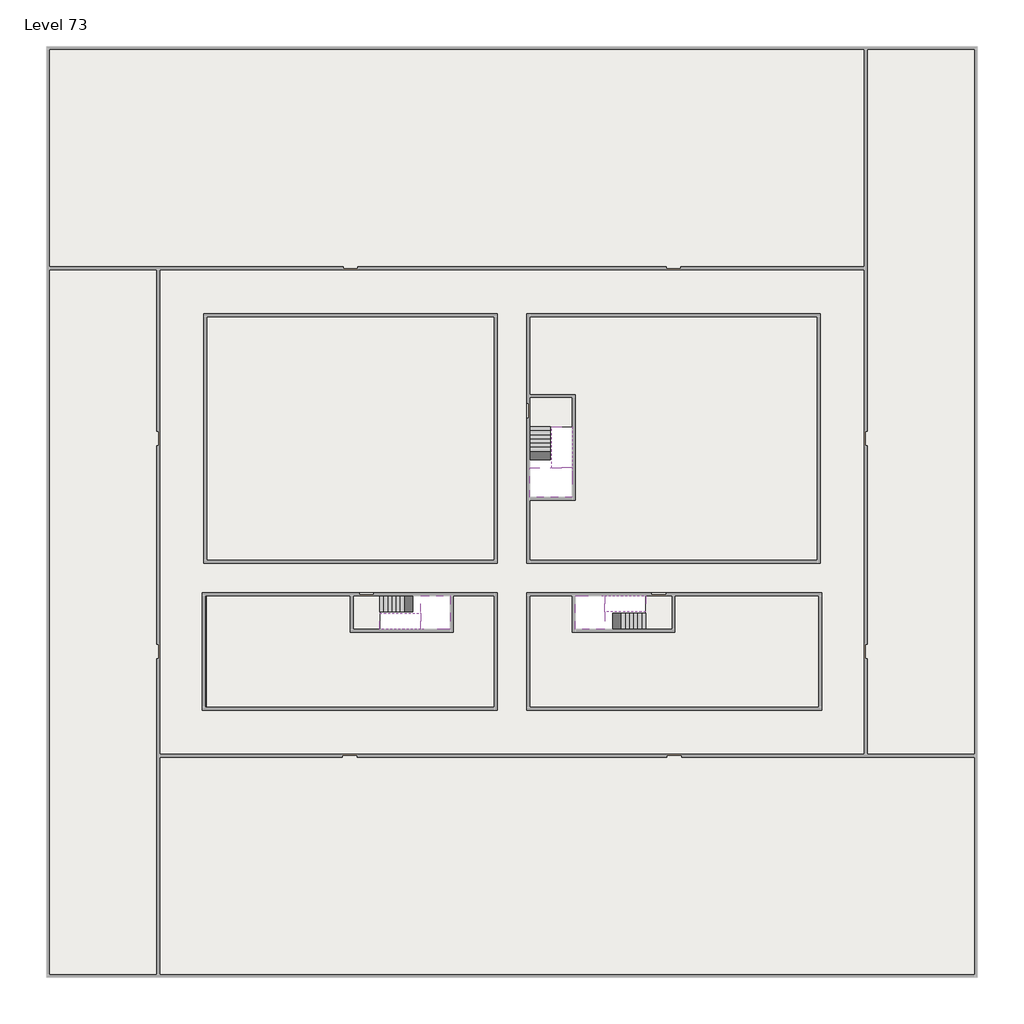
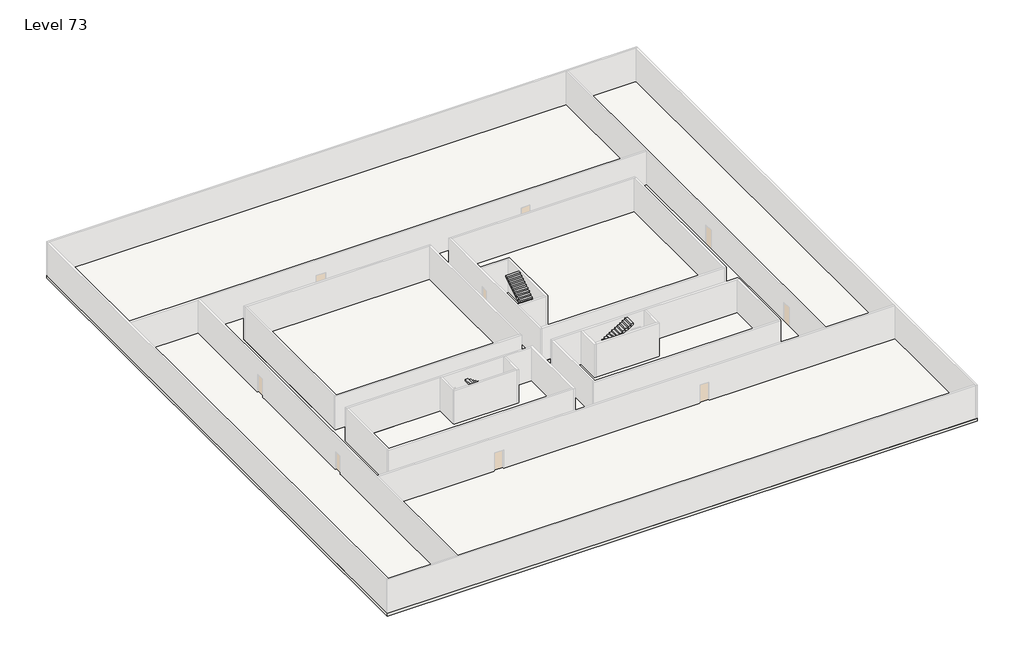
# One storey, part 2 of 2: 6 slabs, 6 stair flights.
"""IFC4 building model written with IfcOpenShell, lengths in millimetres."""

from ifc_helpers import new_model, si_unit, frame, origin, place, context, project, spatial, polyline, outline, extrude, faceted_brep, element, save

model = new_model("IFC4")

# Units and contexts
model_context = context("Model", 3, world=origin())
ifc_project = project(units=[si_unit("LENGTHUNIT", "METRE", prefix="MILLI")], contexts=[model_context])

# Site, building, storey
site = spatial("IfcSite", under=ifc_project)
building = spatial("IfcBuilding", under=site)
storey = spatial("IfcBuildingStorey", under=building, Name="Level 73", Elevation=273600.0)

# Slabs
placement = place(None, origin())
element("IfcSlab", 1, at=placement, inside=storey, context=model_context, shape_type="SweptSolid", body=[
    extrude(outline(polyline([(55890.1058784, -5518.09644), (55890.1058784, -68918.09644), (-7509.8941216, -68918.09644), (-7509.8941216, -5518.09644), (55890.1058784, -5518.09644)]), holes=[polyline([(23190.1058784, -23718.09644), (3190.1058784, -23718.09644), (3190.1058784, -40718.09644), (23190.1058784, -40718.09644), (23190.1058784, -23718.09644)]), polyline([(45190.1058784, -23718.09644), (25190.1058784, -23718.09644), (25190.1058784, -40718.09644), (45190.1058784, -40718.09644), (45190.1058784, -23718.09644)]), polyline([(23190.1058784, -50718.09644), (23190.1058784, -42718.09644), (3390.1058784, -42718.09644), (3390.1058784, -50718.09644), (23190.1058784, -50718.09644)]), polyline([(25190.1058784, -50718.09644), (45190.1058784, -50718.09644), (45190.1058784, -42718.09644), (25190.1058784, -42718.09644), (25190.1058784, -50718.09644)])]), frame((0.0, 0.0, 273300.0), z_axis=(0.0, 0.0, 1.0), x_axis=(1.0, 0.0, 0.0)), (0.0, 0.0, 1.0), 300.0),
])
element("IfcSlab", 2, at=placement, inside=storey, context=model_context, shape_type="Brep", body=[
    faceted_brep([(26790.1058784, -34218.09644, 275500.0), (25390.1058784, -34218.09644, 275500.0), (25390.1058784, -34297.4828763, 275500.0), (25390.1058784, -36218.09644, 275500.0), (28290.1058784, -36218.09644, 275500.0), (28290.1058784, -34418.7100038, 275500.0), (28290.1058784, -34218.09644, 275500.0), (26890.1058784, -34218.09644, 275500.0), (26790.1058784, -34218.09644, 275200.0), (26790.1058784, -34218.09644, 275151.0278478), (25390.1058784, -34218.09644, 275151.0278478), (25390.1058784, -34218.09644, 275327.2727273), (25390.1058784, -34297.4828763, 275200.0), (25390.1058784, -36218.09644, 275200.0), (28290.1058784, -36218.09644, 275200.0), (28290.1058784, -34418.7100038, 275200.0), (28290.1058784, -34218.09644, 275323.7551205), (26890.1058784, -34218.09644, 275323.7551205), (26890.1058784, -34218.09644, 275200.0), (26890.1058784, -34418.7100038, 275200.0), (26790.1058784, -34297.4828763, 275200.0)], [[[0, 1, 2, 3, 4, 5, 6, 7]], [[1, 0, 8, 9, 10, 11]], [[1, 11, 10, 12, 13, 3, 2]], [[4, 3, 13, 14]], [[4, 14, 15, 16, 6, 5]], [[7, 6, 16, 17]], [[0, 7, 17, 18, 8]], [[18, 19, 15, 14, 13, 12, 20, 8]], [[19, 18, 17]], [[20, 12, 10, 9]], [[8, 20, 9]], [[15, 19, 17, 16]]]),
])
element("IfcSlab", 3, at=placement, inside=storey, context=model_context, shape_type="SweptSolid", body=[
    extrude(outline(polyline([(22990.1058784, -23918.09644), (22990.1058784, -40518.09644), (3390.1058784, -40518.09644), (3390.1058784, -23918.09644), (22990.1058784, -23918.09644)])), frame((0.0, 0.0, 273300.0), z_axis=(0.0, 0.0, 1.0), x_axis=(1.0, 0.0, 0.0)), (0.0, 0.0, 1.0), 300.0),
    extrude(outline(polyline([(44990.1058784, -23918.09644), (44990.1058784, -40518.09644), (25390.1058784, -40518.09644), (25390.1058784, -36418.09644), (28490.1058784, -36418.09644), (28490.1058784, -29218.09644), (25390.1058784, -29218.09644), (25390.1058784, -23918.09644), (44990.1058784, -23918.09644)])), frame((0.0, 0.0, 273300.0), z_axis=(0.0, 0.0, 1.0), x_axis=(1.0, 0.0, 0.0)), (0.0, 0.0, 1.0), 300.0),
    extrude(outline(polyline([(22990.1058784, -42918.09644), (22990.1058784, -50518.09644), (3390.1058784, -50518.09644), (3390.1058784, -42918.09644), (13190.1058784, -42918.09644), (13190.1058784, -45418.09644), (20190.1058784, -45418.09644), (20190.1058784, -42918.09644), (22990.1058784, -42918.09644)])), frame((0.0, 0.0, 273300.0), z_axis=(0.0, 0.0, 1.0), x_axis=(1.0, 0.0, 0.0)), (0.0, 0.0, 1.0), 300.0),
    extrude(outline(polyline([(28290.1058784, -42918.09644), (28290.1058784, -45418.09644), (35290.1058784, -45418.09644), (35290.1058784, -42918.09644), (45090.1058784, -42918.09644), (45090.1058784, -50518.09644), (25390.1058784, -50518.09644), (25390.1058784, -42918.09644), (28290.1058784, -42918.09644)])), frame((0.0, 0.0, 273300.0), z_axis=(0.0, 0.0, 1.0), x_axis=(1.0, 0.0, 0.0)), (0.0, 0.0, 1.0), 300.0),
])
element("IfcSlab", 4, at=placement, inside=storey, context=model_context, shape_type="Brep", body=[
    faceted_brep([(30490.1058784, -45218.09644, 275500.0), (30490.1058784, -44118.09644, 275500.0), (30490.1058784, -44018.09644, 275500.0), (30490.1058784, -42918.09644, 275500.0), (30289.4923146, -42918.09644, 275500.0), (28490.1058784, -42918.09644, 275500.0), (28490.1058784, -45218.09644, 275500.0), (30410.7194421, -45218.09644, 275500.0), (30490.1058784, -45218.09644, 275327.2727273), (30490.1058784, -45218.09644, 275151.0278478), (30490.1058784, -44118.09644, 275151.0278478), (30490.1058784, -44118.09644, 275200.0), (30490.1058784, -44018.09644, 275200.0), (30490.1058784, -44018.09644, 275323.7551205), (30490.1058784, -42918.09644, 275323.7551205), (30289.4923146, -42918.09644, 275200.0), (28490.1058784, -42918.09644, 275200.0), (28490.1058784, -45218.09644, 275200.0), (30410.7194421, -45218.09644, 275200.0), (30289.4923146, -44018.09644, 275200.0), (30410.7194421, -44118.09644, 275200.0)], [[[0, 1, 2, 3, 4, 5, 6, 7]], [[1, 0, 8, 9, 10, 11]], [[2, 1, 11, 12, 13]], [[3, 2, 13, 14]], [[3, 14, 15, 16, 5, 4]], [[6, 5, 16, 17]], [[9, 8, 0, 7, 6, 17, 18]], [[19, 12, 11, 20, 18, 17, 16, 15]], [[12, 19, 13]], [[18, 20, 10, 9]], [[20, 11, 10]], [[19, 15, 14, 13]]]),
])
element("IfcSlab", 5, at=placement, inside=storey, context=model_context, shape_type="Brep", body=[
    faceted_brep([(17990.1058784, -42918.09644, 275500.0), (17990.1058784, -44018.09644, 275500.0), (17990.1058784, -44118.09644, 275500.0), (17990.1058784, -45218.09644, 275500.0), (18190.7194421, -45218.09644, 275500.0), (19990.1058784, -45218.09644, 275500.0), (19990.1058784, -42918.09644, 275500.0), (18069.4923146, -42918.09644, 275500.0), (17990.1058784, -42918.09644, 275327.2727273), (17990.1058784, -42918.09644, 275151.0278478), (17990.1058784, -44018.09644, 275151.0278478), (17990.1058784, -44018.09644, 275200.0), (17990.1058784, -44118.09644, 275200.0), (17990.1058784, -44118.09644, 275323.7551205), (17990.1058784, -45218.09644, 275323.7551205), (18190.7194421, -45218.09644, 275200.0), (19990.1058784, -45218.09644, 275200.0), (19990.1058784, -42918.09644, 275200.0), (18069.4923146, -42918.09644, 275200.0), (18190.7194421, -44118.09644, 275200.0), (18069.4923146, -44018.09644, 275200.0)], [[[0, 1, 2, 3, 4, 5, 6, 7]], [[1, 0, 8, 9, 10, 11]], [[2, 1, 11, 12, 13]], [[3, 2, 13, 14]], [[3, 14, 15, 16, 5, 4]], [[6, 5, 16, 17]], [[9, 8, 0, 7, 6, 17, 18]], [[19, 12, 11, 20, 18, 17, 16, 15]], [[12, 19, 13]], [[18, 20, 10, 9]], [[20, 11, 10]], [[19, 15, 14, 13]]]),
])
element("IfcSlab", 6, at=placement, inside=storey, context=model_context, shape_type="SweptSolid", body=[
    extrude(outline(polyline([(25190.1058784, -29418.09644), (28290.1058784, -29418.09644), (28290.1058784, -31418.09644), (25190.1058784, -31418.09644), (25190.1058784, -29418.09644)])), frame((0.0, 0.0, 273300.0), z_axis=(0.0, 0.0, 1.0), x_axis=(1.0, 0.0, 0.0)), (0.0, 0.0, 1.0), 300.0),
    extrude(outline(polyline([(15190.1058784, -45218.09644), (13390.1058784, -45218.09644), (13390.1058784, -42718.09644), (15190.1058784, -42718.09644), (15190.1058784, -45218.09644)])), frame((0.0, 0.0, 273300.0), z_axis=(0.0, 0.0, 1.0), x_axis=(1.0, 0.0, 0.0)), (0.0, 0.0, 1.0), 300.0),
    extrude(outline(polyline([(35090.1058784, -45218.09644), (33290.1058784, -45218.09644), (33290.1058784, -42718.09644), (35090.1058784, -42718.09644), (35090.1058784, -45218.09644)])), frame((0.0, 0.0, 273300.0), z_axis=(0.0, 0.0, 1.0), x_axis=(1.0, 0.0, 0.0)), (0.0, 0.0, 1.0), 300.0),
])

# Stair flights
element("IfcStairFlight", 7, at=placement, inside=storey, context=model_context, shape_type="Brep", body=[
    faceted_brep([(26790.1058784, -31698.09644, 273772.7272727), (26790.1058784, -31418.09644, 273772.7272727), (25390.1058784, -31418.09644, 273772.7272727), (25390.1058784, -31698.09644, 273772.7272727), (26790.1058784, -31698.09644, 273600.0), (26790.1058784, -31418.09644, 273600.0), (25390.1058784, -31418.09644, 273600.0), (25390.1058784, -31698.09644, 273600.0), (26790.1058784, -31978.09644, 273945.4545455), (26790.1058784, -31698.09644, 273945.4545455), (25390.1058784, -31698.09644, 273945.4545455), (25390.1058784, -31978.09644, 273945.4545455), (26790.1058784, -31978.09644, 273769.209666), (26790.1058784, -31703.7986657, 273600.0), (25390.1058784, -31703.7986657, 273600.0), (25390.1058784, -31978.09644, 273769.209666), (26790.1058784, -32258.09644, 274118.1818182), (26790.1058784, -31978.09644, 274118.1818182), (25390.1058784, -31978.09644, 274118.1818182), (25390.1058784, -32258.09644, 274118.1818182), (26790.1058784, -32258.09644, 273941.9369387), (25390.1058784, -32258.09644, 273941.9369387), (26790.1058784, -32538.09644, 274290.9090909), (26790.1058784, -32258.09644, 274290.9090909), (25390.1058784, -32258.09644, 274290.9090909), (25390.1058784, -32538.09644, 274290.9090909), (26790.1058784, -32538.09644, 274114.6642114), (25390.1058784, -32538.09644, 274114.6642114), (26790.1058784, -32818.09644, 274463.6363636), (26790.1058784, -32538.09644, 274463.6363636), (25390.1058784, -32538.09644, 274463.6363636), (25390.1058784, -32818.09644, 274463.6363636), (26790.1058784, -32818.09644, 274287.3914841), (25390.1058784, -32818.09644, 274287.3914841), (26790.1058784, -33098.09644, 274636.3636364), (26790.1058784, -32818.09644, 274636.3636364), (25390.1058784, -32818.09644, 274636.3636364), (25390.1058784, -33098.09644, 274636.3636364), (26790.1058784, -33098.09644, 274460.1187569), (25390.1058784, -33098.09644, 274460.1187569), (26790.1058784, -33378.09644, 274809.0909091), (26790.1058784, -33098.09644, 274809.0909091), (25390.1058784, -33098.09644, 274809.0909091), (25390.1058784, -33378.09644, 274809.0909091), (26790.1058784, -33378.09644, 274632.8460296), (25390.1058784, -33378.09644, 274632.8460296), (26790.1058784, -33658.09644, 274981.8181818), (26790.1058784, -33378.09644, 274981.8181818), (25390.1058784, -33378.09644, 274981.8181818), (25390.1058784, -33658.09644, 274981.8181818), (26790.1058784, -33658.09644, 274805.5733023), (25390.1058784, -33658.09644, 274805.5733023), (26790.1058784, -33938.09644, 275154.5454545), (26790.1058784, -33658.09644, 275154.5454545), (25390.1058784, -33658.09644, 275154.5454545), (25390.1058784, -33938.09644, 275154.5454545), (26790.1058784, -33938.09644, 274978.3005751), (25390.1058784, -33938.09644, 274978.3005751), (26790.1058784, -34218.09644, 275327.2727273), (26790.1058784, -33938.09644, 275327.2727273), (25390.1058784, -33938.09644, 275327.2727273), (25390.1058784, -34218.09644, 275327.2727273), (26790.1058784, -34218.09644, 275200.0), (26790.1058784, -34218.09644, 275151.0278478), (25390.1058784, -34218.09644, 275151.0278478)], [[[0, 1, 2, 3]], [[1, 0, 4, 5]], [[2, 1, 5, 6]], [[3, 2, 6, 7]], [[8, 9, 10, 11]], [[4, 0, 9, 8, 12, 13]], [[0, 3, 10, 9]], [[3, 7, 14, 15, 11, 10]], [[16, 17, 18, 19]], [[17, 16, 20, 12, 8]], [[8, 11, 18, 17]], [[19, 18, 11, 15, 21]], [[22, 23, 24, 25]], [[23, 22, 26, 20, 16]], [[16, 19, 24, 23]], [[25, 24, 19, 21, 27]], [[28, 29, 30, 31]], [[29, 28, 32, 26, 22]], [[22, 25, 30, 29]], [[31, 30, 25, 27, 33]], [[34, 35, 36, 37]], [[35, 34, 38, 32, 28]], [[28, 31, 36, 35]], [[37, 36, 31, 33, 39]], [[40, 41, 42, 43]], [[41, 40, 44, 38, 34]], [[34, 37, 42, 41]], [[43, 42, 37, 39, 45]], [[46, 47, 48, 49]], [[47, 46, 50, 44, 40]], [[40, 43, 48, 47]], [[49, 48, 43, 45, 51]], [[52, 53, 54, 55]], [[53, 52, 56, 50, 46]], [[46, 49, 54, 53]], [[55, 54, 49, 51, 57]], [[58, 59, 60, 61]], [[59, 58, 62, 63, 56, 52]], [[52, 55, 60, 59]], [[61, 60, 55, 57, 64]], [[58, 61, 64, 63, 62]], [[5, 4, 13, 14, 7, 6]], [[14, 13, 12, 20, 26, 32, 38, 44, 50, 56, 63, 64, 57, 51, 45, 39, 33, 27, 21, 15]]]),
])
element("IfcStairFlight", 8, at=placement, inside=storey, context=model_context, shape_type="Brep", body=[
    faceted_brep([(26890.1058784, -33938.09644, 275672.7272727), (26890.1058784, -34218.09644, 275672.7272727), (28290.1058784, -34218.09644, 275672.7272727), (28290.1058784, -33938.09644, 275672.7272727), (26890.1058784, -33938.09644, 275496.4823932), (26890.1058784, -34218.09644, 275323.7551205), (28290.1058784, -34218.09644, 275323.7551205), (28290.1058784, -34218.09644, 275500.0), (28290.1058784, -33938.09644, 275496.4823932), (26890.1058784, -33658.09644, 275845.4545455), (26890.1058784, -33938.09644, 275845.4545455), (28290.1058784, -33938.09644, 275845.4545455), (28290.1058784, -33658.09644, 275845.4545455), (26890.1058784, -33658.09644, 275669.209666), (28290.1058784, -33658.09644, 275669.209666), (26890.1058784, -33378.09644, 276018.1818182), (26890.1058784, -33658.09644, 276018.1818182), (28290.1058784, -33658.09644, 276018.1818182), (28290.1058784, -33378.09644, 276018.1818182), (26890.1058784, -33378.09644, 275841.9369387), (28290.1058784, -33378.09644, 275841.9369387), (26890.1058784, -33098.09644, 276190.9090909), (26890.1058784, -33378.09644, 276190.9090909), (28290.1058784, -33378.09644, 276190.9090909), (28290.1058784, -33098.09644, 276190.9090909), (26890.1058784, -33098.09644, 276014.6642114), (28290.1058784, -33098.09644, 276014.6642114), (26890.1058784, -32818.09644, 276363.6363636), (26890.1058784, -33098.09644, 276363.6363636), (28290.1058784, -33098.09644, 276363.6363636), (28290.1058784, -32818.09644, 276363.6363636), (26890.1058784, -32818.09644, 276187.3914841), (28290.1058784, -32818.09644, 276187.3914841), (26890.1058784, -32538.09644, 276536.3636364), (26890.1058784, -32818.09644, 276536.3636364), (28290.1058784, -32818.09644, 276536.3636364), (28290.1058784, -32538.09644, 276536.3636364), (26890.1058784, -32538.09644, 276360.1187569), (28290.1058784, -32538.09644, 276360.1187569), (26890.1058784, -32258.09644, 276709.0909091), (26890.1058784, -32538.09644, 276709.0909091), (28290.1058784, -32538.09644, 276709.0909091), (28290.1058784, -32258.09644, 276709.0909091), (26890.1058784, -32258.09644, 276532.8460296), (28290.1058784, -32258.09644, 276532.8460296), (26890.1058784, -31978.09644, 276881.8181818), (26890.1058784, -32258.09644, 276881.8181818), (28290.1058784, -32258.09644, 276881.8181818), (28290.1058784, -31978.09644, 276881.8181818), (26890.1058784, -31978.09644, 276705.5733023), (28290.1058784, -31978.09644, 276705.5733023), (26890.1058784, -31698.09644, 277054.5454545), (26890.1058784, -31978.09644, 277054.5454545), (28290.1058784, -31978.09644, 277054.5454545), (28290.1058784, -31698.09644, 277054.5454545), (26890.1058784, -31698.09644, 276878.3005751), (28290.1058784, -31698.09644, 276878.3005751), (26890.1058784, -31418.09644, 277227.2727273), (26890.1058784, -31698.09644, 277227.2727273), (28290.1058784, -31698.09644, 277227.2727273), (28290.1058784, -31418.09644, 277227.2727273), (26890.1058784, -31418.09644, 277051.0278478), (28290.1058784, -31418.09644, 277051.0278478)], [[[0, 1, 2, 3]], [[1, 0, 4, 5]], [[2, 1, 5, 6, 7]], [[3, 2, 7, 6, 8]], [[9, 10, 11, 12]], [[10, 9, 13, 4, 0]], [[11, 10, 0, 3]], [[12, 11, 3, 8, 14]], [[15, 16, 17, 18]], [[16, 15, 19, 13, 9]], [[17, 16, 9, 12]], [[18, 17, 12, 14, 20]], [[21, 22, 23, 24]], [[22, 21, 25, 19, 15]], [[23, 22, 15, 18]], [[24, 23, 18, 20, 26]], [[27, 28, 29, 30]], [[28, 27, 31, 25, 21]], [[29, 28, 21, 24]], [[30, 29, 24, 26, 32]], [[33, 34, 35, 36]], [[34, 33, 37, 31, 27]], [[35, 34, 27, 30]], [[36, 35, 30, 32, 38]], [[39, 40, 41, 42]], [[40, 39, 43, 37, 33]], [[41, 40, 33, 36]], [[42, 41, 36, 38, 44]], [[45, 46, 47, 48]], [[46, 45, 49, 43, 39]], [[47, 46, 39, 42]], [[48, 47, 42, 44, 50]], [[51, 52, 53, 54]], [[52, 51, 55, 49, 45]], [[53, 52, 45, 48]], [[54, 53, 48, 50, 56]], [[57, 58, 59, 60]], [[58, 57, 61, 55, 51]], [[59, 58, 51, 54]], [[60, 59, 54, 56, 62]], [[57, 60, 62, 61]], [[5, 4, 13, 19, 25, 31, 37, 43, 49, 55, 61, 62, 56, 50, 44, 38, 32, 26, 20, 14, 8, 6]]]),
])
element("IfcStairFlight", 9, at=placement, inside=storey, context=model_context, shape_type="Brep", body=[
    faceted_brep([(33010.1058784, -45218.09644, 273772.7272727), (33290.1058784, -45218.09644, 273772.7272727), (33290.1058784, -44118.09644, 273772.7272727), (33010.1058784, -44118.09644, 273772.7272727), (33010.1058784, -45218.09644, 273600.0), (33290.1058784, -45218.09644, 273600.0), (33290.1058784, -44118.09644, 273600.0), (33010.1058784, -44118.09644, 273600.0), (32730.1058784, -45218.09644, 273945.4545455), (33010.1058784, -45218.09644, 273945.4545455), (33010.1058784, -44118.09644, 273945.4545455), (32730.1058784, -44118.09644, 273945.4545455), (32730.1058784, -45218.09644, 273769.209666), (33004.4036527, -45218.09644, 273600.0), (33004.4036527, -44118.09644, 273600.0), (32730.1058784, -44118.09644, 273769.209666), (32450.1058784, -45218.09644, 274118.1818182), (32730.1058784, -45218.09644, 274118.1818182), (32730.1058784, -44118.09644, 274118.1818182), (32450.1058784, -44118.09644, 274118.1818182), (32450.1058784, -45218.09644, 273941.9369387), (32450.1058784, -44118.09644, 273941.9369387), (32170.1058784, -45218.09644, 274290.9090909), (32450.1058784, -45218.09644, 274290.9090909), (32450.1058784, -44118.09644, 274290.9090909), (32170.1058784, -44118.09644, 274290.9090909), (32170.1058784, -45218.09644, 274114.6642114), (32170.1058784, -44118.09644, 274114.6642114), (31890.1058784, -45218.09644, 274463.6363636), (32170.1058784, -45218.09644, 274463.6363636), (32170.1058784, -44118.09644, 274463.6363636), (31890.1058784, -44118.09644, 274463.6363636), (31890.1058784, -45218.09644, 274287.3914841), (31890.1058784, -44118.09644, 274287.3914841), (31610.1058784, -45218.09644, 274636.3636364), (31890.1058784, -45218.09644, 274636.3636364), (31890.1058784, -44118.09644, 274636.3636364), (31610.1058784, -44118.09644, 274636.3636364), (31610.1058784, -45218.09644, 274460.1187569), (31610.1058784, -44118.09644, 274460.1187569), (31330.1058784, -45218.09644, 274809.0909091), (31610.1058784, -45218.09644, 274809.0909091), (31610.1058784, -44118.09644, 274809.0909091), (31330.1058784, -44118.09644, 274809.0909091), (31330.1058784, -45218.09644, 274632.8460296), (31330.1058784, -44118.09644, 274632.8460296), (31050.1058784, -45218.09644, 274981.8181818), (31330.1058784, -45218.09644, 274981.8181818), (31330.1058784, -44118.09644, 274981.8181818), (31050.1058784, -44118.09644, 274981.8181818), (31050.1058784, -45218.09644, 274805.5733023), (31050.1058784, -44118.09644, 274805.5733023), (30770.1058784, -45218.09644, 275154.5454545), (31050.1058784, -45218.09644, 275154.5454545), (31050.1058784, -44118.09644, 275154.5454545), (30770.1058784, -44118.09644, 275154.5454545), (30770.1058784, -45218.09644, 274978.3005751), (30770.1058784, -44118.09644, 274978.3005751), (30490.1058784, -45218.09644, 275327.2727273), (30770.1058784, -45218.09644, 275327.2727273), (30770.1058784, -44118.09644, 275327.2727273), (30490.1058784, -44118.09644, 275327.2727273), (30490.1058784, -45218.09644, 275151.0278478), (30490.1058784, -44118.09644, 275151.0278478), (30490.1058784, -44118.09644, 275200.0)], [[[0, 1, 2, 3]], [[1, 0, 4, 5]], [[2, 1, 5, 6]], [[3, 2, 6, 7]], [[8, 9, 10, 11]], [[4, 0, 9, 8, 12, 13]], [[0, 3, 10, 9]], [[3, 7, 14, 15, 11, 10]], [[16, 17, 18, 19]], [[17, 16, 20, 12, 8]], [[8, 11, 18, 17]], [[19, 18, 11, 15, 21]], [[22, 23, 24, 25]], [[23, 22, 26, 20, 16]], [[16, 19, 24, 23]], [[25, 24, 19, 21, 27]], [[28, 29, 30, 31]], [[29, 28, 32, 26, 22]], [[22, 25, 30, 29]], [[31, 30, 25, 27, 33]], [[34, 35, 36, 37]], [[35, 34, 38, 32, 28]], [[28, 31, 36, 35]], [[37, 36, 31, 33, 39]], [[40, 41, 42, 43]], [[41, 40, 44, 38, 34]], [[34, 37, 42, 41]], [[43, 42, 37, 39, 45]], [[46, 47, 48, 49]], [[47, 46, 50, 44, 40]], [[40, 43, 48, 47]], [[49, 48, 43, 45, 51]], [[52, 53, 54, 55]], [[53, 52, 56, 50, 46]], [[46, 49, 54, 53]], [[55, 54, 49, 51, 57]], [[58, 59, 60, 61]], [[59, 58, 62, 56, 52]], [[52, 55, 60, 59]], [[61, 60, 55, 57, 63, 64]], [[58, 61, 64, 63, 62]], [[5, 4, 13, 14, 7, 6]], [[14, 13, 12, 20, 26, 32, 38, 44, 50, 56, 62, 63, 57, 51, 45, 39, 33, 27, 21, 15]]]),
])
element("IfcStairFlight", 10, at=placement, inside=storey, context=model_context, shape_type="Brep", body=[
    faceted_brep([(30770.1058784, -42918.09644, 275672.7272727), (30490.1058784, -42918.09644, 275672.7272727), (30490.1058784, -44018.09644, 275672.7272727), (30770.1058784, -44018.09644, 275672.7272727), (30770.1058784, -42918.09644, 275496.4823932), (30490.1058784, -42918.09644, 275323.7551205), (30490.1058784, -42918.09644, 275500.0), (30490.1058784, -44018.09644, 275323.7551205), (30770.1058784, -44018.09644, 275496.4823932), (31050.1058784, -42918.09644, 275845.4545455), (30770.1058784, -42918.09644, 275845.4545455), (30770.1058784, -44018.09644, 275845.4545455), (31050.1058784, -44018.09644, 275845.4545455), (31050.1058784, -42918.09644, 275669.209666), (31050.1058784, -44018.09644, 275669.209666), (31330.1058784, -42918.09644, 276018.1818182), (31050.1058784, -42918.09644, 276018.1818182), (31050.1058784, -44018.09644, 276018.1818182), (31330.1058784, -44018.09644, 276018.1818182), (31330.1058784, -42918.09644, 275841.9369387), (31330.1058784, -44018.09644, 275841.9369387), (31610.1058784, -42918.09644, 276190.9090909), (31330.1058784, -42918.09644, 276190.9090909), (31330.1058784, -44018.09644, 276190.9090909), (31610.1058784, -44018.09644, 276190.9090909), (31610.1058784, -42918.09644, 276014.6642114), (31610.1058784, -44018.09644, 276014.6642114), (31890.1058784, -42918.09644, 276363.6363636), (31610.1058784, -42918.09644, 276363.6363636), (31610.1058784, -44018.09644, 276363.6363636), (31890.1058784, -44018.09644, 276363.6363636), (31890.1058784, -42918.09644, 276187.3914841), (31890.1058784, -44018.09644, 276187.3914841), (32170.1058784, -42918.09644, 276536.3636364), (31890.1058784, -42918.09644, 276536.3636364), (31890.1058784, -44018.09644, 276536.3636364), (32170.1058784, -44018.09644, 276536.3636364), (32170.1058784, -42918.09644, 276360.1187569), (32170.1058784, -44018.09644, 276360.1187569), (32450.1058784, -42918.09644, 276709.0909091), (32170.1058784, -42918.09644, 276709.0909091), (32170.1058784, -44018.09644, 276709.0909091), (32450.1058784, -44018.09644, 276709.0909091), (32450.1058784, -42918.09644, 276532.8460296), (32450.1058784, -44018.09644, 276532.8460296), (32730.1058784, -42918.09644, 276881.8181818), (32450.1058784, -42918.09644, 276881.8181818), (32450.1058784, -44018.09644, 276881.8181818), (32730.1058784, -44018.09644, 276881.8181818), (32730.1058784, -42918.09644, 276705.5733023), (32730.1058784, -44018.09644, 276705.5733023), (33010.1058784, -42918.09644, 277054.5454545), (32730.1058784, -42918.09644, 277054.5454545), (32730.1058784, -44018.09644, 277054.5454545), (33010.1058784, -44018.09644, 277054.5454545), (33010.1058784, -42918.09644, 276878.3005751), (33010.1058784, -44018.09644, 276878.3005751), (33290.1058784, -42918.09644, 277227.2727273), (33010.1058784, -42918.09644, 277227.2727273), (33010.1058784, -44018.09644, 277227.2727273), (33290.1058784, -44018.09644, 277227.2727273), (33290.1058784, -42918.09644, 277051.0278478), (33290.1058784, -44018.09644, 277051.0278478)], [[[0, 1, 2, 3]], [[1, 0, 4, 5, 6]], [[2, 1, 6, 5, 7]], [[3, 2, 7, 8]], [[9, 10, 11, 12]], [[10, 9, 13, 4, 0]], [[11, 10, 0, 3]], [[12, 11, 3, 8, 14]], [[15, 16, 17, 18]], [[16, 15, 19, 13, 9]], [[17, 16, 9, 12]], [[18, 17, 12, 14, 20]], [[21, 22, 23, 24]], [[22, 21, 25, 19, 15]], [[23, 22, 15, 18]], [[24, 23, 18, 20, 26]], [[27, 28, 29, 30]], [[28, 27, 31, 25, 21]], [[29, 28, 21, 24]], [[30, 29, 24, 26, 32]], [[33, 34, 35, 36]], [[34, 33, 37, 31, 27]], [[35, 34, 27, 30]], [[36, 35, 30, 32, 38]], [[39, 40, 41, 42]], [[40, 39, 43, 37, 33]], [[41, 40, 33, 36]], [[42, 41, 36, 38, 44]], [[45, 46, 47, 48]], [[46, 45, 49, 43, 39]], [[47, 46, 39, 42]], [[48, 47, 42, 44, 50]], [[51, 52, 53, 54]], [[52, 51, 55, 49, 45]], [[53, 52, 45, 48]], [[54, 53, 48, 50, 56]], [[57, 58, 59, 60]], [[58, 57, 61, 55, 51]], [[59, 58, 51, 54]], [[60, 59, 54, 56, 62]], [[57, 60, 62, 61]], [[5, 4, 13, 19, 25, 31, 37, 43, 49, 55, 61, 62, 56, 50, 44, 38, 32, 26, 20, 14, 8, 7]]]),
])
element("IfcStairFlight", 11, at=placement, inside=storey, context=model_context, shape_type="Brep", body=[
    faceted_brep([(15470.1058784, -42918.09644, 273772.7272727), (15190.1058784, -42918.09644, 273772.7272727), (15190.1058784, -44018.09644, 273772.7272727), (15470.1058784, -44018.09644, 273772.7272727), (15470.1058784, -42918.09644, 273600.0), (15190.1058784, -42918.09644, 273600.0), (15190.1058784, -44018.09644, 273600.0), (15470.1058784, -44018.09644, 273600.0), (15750.1058784, -42918.09644, 273945.4545455), (15470.1058784, -42918.09644, 273945.4545455), (15470.1058784, -44018.09644, 273945.4545455), (15750.1058784, -44018.09644, 273945.4545455), (15750.1058784, -42918.09644, 273769.209666), (15475.8081041, -42918.09644, 273600.0), (15475.8081041, -44018.09644, 273600.0), (15750.1058784, -44018.09644, 273769.209666), (16030.1058784, -42918.09644, 274118.1818182), (15750.1058784, -42918.09644, 274118.1818182), (15750.1058784, -44018.09644, 274118.1818182), (16030.1058784, -44018.09644, 274118.1818182), (16030.1058784, -42918.09644, 273941.9369387), (16030.1058784, -44018.09644, 273941.9369387), (16310.1058784, -42918.09644, 274290.9090909), (16030.1058784, -42918.09644, 274290.9090909), (16030.1058784, -44018.09644, 274290.9090909), (16310.1058784, -44018.09644, 274290.9090909), (16310.1058784, -42918.09644, 274114.6642114), (16310.1058784, -44018.09644, 274114.6642114), (16590.1058784, -42918.09644, 274463.6363636), (16310.1058784, -42918.09644, 274463.6363636), (16310.1058784, -44018.09644, 274463.6363636), (16590.1058784, -44018.09644, 274463.6363636), (16590.1058784, -42918.09644, 274287.3914841), (16590.1058784, -44018.09644, 274287.3914841), (16870.1058784, -42918.09644, 274636.3636364), (16590.1058784, -42918.09644, 274636.3636364), (16590.1058784, -44018.09644, 274636.3636364), (16870.1058784, -44018.09644, 274636.3636364), (16870.1058784, -42918.09644, 274460.1187569), (16870.1058784, -44018.09644, 274460.1187569), (17150.1058784, -42918.09644, 274809.0909091), (16870.1058784, -42918.09644, 274809.0909091), (16870.1058784, -44018.09644, 274809.0909091), (17150.1058784, -44018.09644, 274809.0909091), (17150.1058784, -42918.09644, 274632.8460296), (17150.1058784, -44018.09644, 274632.8460296), (17430.1058784, -42918.09644, 274981.8181818), (17150.1058784, -42918.09644, 274981.8181818), (17150.1058784, -44018.09644, 274981.8181818), (17430.1058784, -44018.09644, 274981.8181818), (17430.1058784, -42918.09644, 274805.5733023), (17430.1058784, -44018.09644, 274805.5733023), (17710.1058784, -42918.09644, 275154.5454545), (17430.1058784, -42918.09644, 275154.5454545), (17430.1058784, -44018.09644, 275154.5454545), (17710.1058784, -44018.09644, 275154.5454545), (17710.1058784, -42918.09644, 274978.3005751), (17710.1058784, -44018.09644, 274978.3005751), (17990.1058784, -42918.09644, 275327.2727273), (17710.1058784, -42918.09644, 275327.2727273), (17710.1058784, -44018.09644, 275327.2727273), (17990.1058784, -44018.09644, 275327.2727273), (17990.1058784, -42918.09644, 275151.0278478), (17990.1058784, -44018.09644, 275151.0278478), (17990.1058784, -44018.09644, 275200.0)], [[[0, 1, 2, 3]], [[1, 0, 4, 5]], [[2, 1, 5, 6]], [[3, 2, 6, 7]], [[8, 9, 10, 11]], [[4, 0, 9, 8, 12, 13]], [[0, 3, 10, 9]], [[3, 7, 14, 15, 11, 10]], [[16, 17, 18, 19]], [[17, 16, 20, 12, 8]], [[8, 11, 18, 17]], [[19, 18, 11, 15, 21]], [[22, 23, 24, 25]], [[23, 22, 26, 20, 16]], [[16, 19, 24, 23]], [[25, 24, 19, 21, 27]], [[28, 29, 30, 31]], [[29, 28, 32, 26, 22]], [[22, 25, 30, 29]], [[31, 30, 25, 27, 33]], [[34, 35, 36, 37]], [[35, 34, 38, 32, 28]], [[28, 31, 36, 35]], [[37, 36, 31, 33, 39]], [[40, 41, 42, 43]], [[41, 40, 44, 38, 34]], [[34, 37, 42, 41]], [[43, 42, 37, 39, 45]], [[46, 47, 48, 49]], [[47, 46, 50, 44, 40]], [[40, 43, 48, 47]], [[49, 48, 43, 45, 51]], [[52, 53, 54, 55]], [[53, 52, 56, 50, 46]], [[46, 49, 54, 53]], [[55, 54, 49, 51, 57]], [[58, 59, 60, 61]], [[59, 58, 62, 56, 52]], [[52, 55, 60, 59]], [[61, 60, 55, 57, 63, 64]], [[58, 61, 64, 63, 62]], [[5, 4, 13, 14, 7, 6]], [[14, 13, 12, 20, 26, 32, 38, 44, 50, 56, 62, 63, 57, 51, 45, 39, 33, 27, 21, 15]]]),
])
element("IfcStairFlight", 12, at=placement, inside=storey, context=model_context, shape_type="Brep", body=[
    faceted_brep([(17710.1058784, -45218.09644, 275672.7272727), (17990.1058784, -45218.09644, 275672.7272727), (17990.1058784, -44118.09644, 275672.7272727), (17710.1058784, -44118.09644, 275672.7272727), (17710.1058784, -45218.09644, 275496.4823932), (17990.1058784, -45218.09644, 275323.7551205), (17990.1058784, -45218.09644, 275500.0), (17990.1058784, -44118.09644, 275323.7551205), (17710.1058784, -44118.09644, 275496.4823932), (17430.1058784, -45218.09644, 275845.4545455), (17710.1058784, -45218.09644, 275845.4545455), (17710.1058784, -44118.09644, 275845.4545455), (17430.1058784, -44118.09644, 275845.4545455), (17430.1058784, -45218.09644, 275669.209666), (17430.1058784, -44118.09644, 275669.209666), (17150.1058784, -45218.09644, 276018.1818182), (17430.1058784, -45218.09644, 276018.1818182), (17430.1058784, -44118.09644, 276018.1818182), (17150.1058784, -44118.09644, 276018.1818182), (17150.1058784, -45218.09644, 275841.9369387), (17150.1058784, -44118.09644, 275841.9369387), (16870.1058784, -45218.09644, 276190.9090909), (17150.1058784, -45218.09644, 276190.9090909), (17150.1058784, -44118.09644, 276190.9090909), (16870.1058784, -44118.09644, 276190.9090909), (16870.1058784, -45218.09644, 276014.6642114), (16870.1058784, -44118.09644, 276014.6642114), (16590.1058784, -45218.09644, 276363.6363636), (16870.1058784, -45218.09644, 276363.6363636), (16870.1058784, -44118.09644, 276363.6363636), (16590.1058784, -44118.09644, 276363.6363636), (16590.1058784, -45218.09644, 276187.3914841), (16590.1058784, -44118.09644, 276187.3914841), (16310.1058784, -45218.09644, 276536.3636364), (16590.1058784, -45218.09644, 276536.3636364), (16590.1058784, -44118.09644, 276536.3636364), (16310.1058784, -44118.09644, 276536.3636364), (16310.1058784, -45218.09644, 276360.1187569), (16310.1058784, -44118.09644, 276360.1187569), (16030.1058784, -45218.09644, 276709.0909091), (16310.1058784, -45218.09644, 276709.0909091), (16310.1058784, -44118.09644, 276709.0909091), (16030.1058784, -44118.09644, 276709.0909091), (16030.1058784, -45218.09644, 276532.8460296), (16030.1058784, -44118.09644, 276532.8460296), (15750.1058784, -45218.09644, 276881.8181818), (16030.1058784, -45218.09644, 276881.8181818), (16030.1058784, -44118.09644, 276881.8181818), (15750.1058784, -44118.09644, 276881.8181818), (15750.1058784, -45218.09644, 276705.5733023), (15750.1058784, -44118.09644, 276705.5733023), (15470.1058784, -45218.09644, 277054.5454545), (15750.1058784, -45218.09644, 277054.5454545), (15750.1058784, -44118.09644, 277054.5454545), (15470.1058784, -44118.09644, 277054.5454545), (15470.1058784, -45218.09644, 276878.3005751), (15470.1058784, -44118.09644, 276878.3005751), (15190.1058784, -45218.09644, 277227.2727273), (15470.1058784, -45218.09644, 277227.2727273), (15470.1058784, -44118.09644, 277227.2727273), (15190.1058784, -44118.09644, 277227.2727273), (15190.1058784, -45218.09644, 277051.0278478), (15190.1058784, -44118.09644, 277051.0278478)], [[[0, 1, 2, 3]], [[1, 0, 4, 5, 6]], [[2, 1, 6, 5, 7]], [[3, 2, 7, 8]], [[9, 10, 11, 12]], [[10, 9, 13, 4, 0]], [[11, 10, 0, 3]], [[12, 11, 3, 8, 14]], [[15, 16, 17, 18]], [[16, 15, 19, 13, 9]], [[17, 16, 9, 12]], [[18, 17, 12, 14, 20]], [[21, 22, 23, 24]], [[22, 21, 25, 19, 15]], [[23, 22, 15, 18]], [[24, 23, 18, 20, 26]], [[27, 28, 29, 30]], [[28, 27, 31, 25, 21]], [[29, 28, 21, 24]], [[30, 29, 24, 26, 32]], [[33, 34, 35, 36]], [[34, 33, 37, 31, 27]], [[35, 34, 27, 30]], [[36, 35, 30, 32, 38]], [[39, 40, 41, 42]], [[40, 39, 43, 37, 33]], [[41, 40, 33, 36]], [[42, 41, 36, 38, 44]], [[45, 46, 47, 48]], [[46, 45, 49, 43, 39]], [[47, 46, 39, 42]], [[48, 47, 42, 44, 50]], [[51, 52, 53, 54]], [[52, 51, 55, 49, 45]], [[53, 52, 45, 48]], [[54, 53, 48, 50, 56]], [[57, 58, 59, 60]], [[58, 57, 61, 55, 51]], [[59, 58, 51, 54]], [[60, 59, 54, 56, 62]], [[57, 60, 62, 61]], [[5, 4, 13, 19, 25, 31, 37, 43, 49, 55, 61, 62, 56, 50, 44, 38, 32, 26, 20, 14, 8, 7]]]),
])

save(model, "model.ifc")
